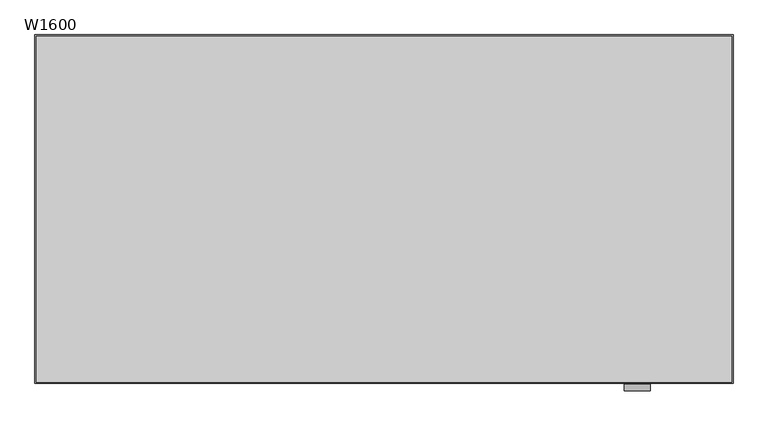
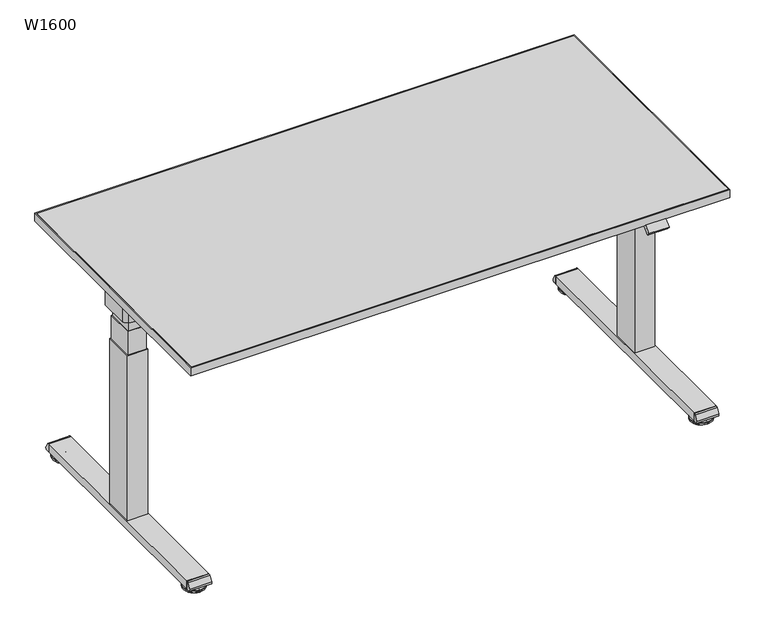
"""IFC4 building model written with IfcOpenShell, lengths in millimetres: furniture geometry, W1600."""

from ifc_helpers import new_model, si_unit, point, frame, frame_2d, origin, place, context, project, spatial, polyline, circle_curve, trimmed, segment, composite_curve, outline, extrude, faceted_brep, source, transform, mapped, element, save
from ifc_brep_helpers import plane_surface, cylinder_surface, revolved_surface, advanced_brep


def w1600_f3774f82(model_context):
    return source(origin(), model_context, "Body", "SolidModel", [
        extrude(outline(polyline([(1509.0, -357.5), (1509.0, -442.5), (91.0, -442.5), (91.0, -357.5), (1509.0, -357.5)])), frame((0.0, 0.0, 667.0), z_axis=(0.0, 0.0, 1.0), x_axis=(1.0, 0.0, 0.0)), (0.0, 0.0, 1.0), 48.0),
        extrude(outline(composite_curve([segment(trimmed(circle_curve(frame_2d((1573.2844551, -429.3948571)), 27.2777716), [point((1596.0, -444.4972027))], [point((1585.2226587, -453.9214981))], False, "CARTESIAN"), True, "CONTINUOUS"), segment(trimmed(circle_curve(frame_2d((1567.407844, -417.3215558)), 40.705324), [point((1585.2226587, -453.9214981))], [point((1567.8222685, -458.02477))], False, "CARTESIAN"), True, "CONTINUOUS"), segment(trimmed(circle_curve(frame_2d((1552.5, 1046.8708411)), 1504.9736119), [point((1567.8222685, -458.02477))], [point((1537.1777315, -458.02477))], False, "CARTESIAN"), True, "CONTINUOUS"), segment(trimmed(circle_curve(frame_2d((1537.592156, -417.3215558)), 40.705324), [point((1537.1777315, -458.02477))], [point((1519.7773413, -453.9214981))], False, "CARTESIAN"), True, "CONTINUOUS"), segment(trimmed(circle_curve(frame_2d((1531.7155449, -429.3948571)), 27.2777716), [point((1519.7773413, -453.9214981))], [point((1509.0, -444.4972027))], False, "CARTESIAN"), True, "CONTINUOUS"), segment(polyline([(1509.0, -444.4972027), (1509.0, -355.5027973)]), True, "CONTINUOUS"), segment(trimmed(circle_curve(frame_2d((1531.7155449, -370.6051429)), 27.2777716), [point((1509.0, -355.5027973))], [point((1519.7773413, -346.0785019))], False, "CARTESIAN"), True, "CONTINUOUS"), segment(trimmed(circle_curve(frame_2d((1537.592156, -382.6784442)), 40.705324), [point((1519.7773413, -346.0785019))], [point((1537.1777315, -341.9752299))], False, "CARTESIAN"), True, "CONTINUOUS"), segment(trimmed(circle_curve(frame_2d((1552.5, -1846.8708411)), 1504.9736119), [point((1537.1777315, -341.9752299))], [point((1567.8222685, -341.9752299))], False, "CARTESIAN"), True, "CONTINUOUS"), segment(trimmed(circle_curve(frame_2d((1567.407844, -382.6784442)), 40.705324), [point((1567.8222685, -341.9752299))], [point((1585.2226587, -346.0785019))], False, "CARTESIAN"), True, "CONTINUOUS"), segment(trimmed(circle_curve(frame_2d((1573.2844551, -370.6051429)), 27.2777716), [point((1585.2226587, -346.0785019))], [point((1596.0, -355.5027973))], False, "CARTESIAN"), True, "CONTINUOUS"), segment(polyline([(1596.0, -355.5027973), (1596.0, -444.4972027)]), True, "CONTINUOUS")], self_intersect=False)), frame((0.0, 0.0, 667.0), z_axis=(0.0, 0.0, 1.0), x_axis=(1.0, 0.0, 0.0)), (0.0, 0.0, 1.0), 48.0),
        extrude(outline(composite_curve([segment(polyline([(-755.0, 13.4998704), (-764.6135226, 13.4998704)]), True, "CONTINUOUS"), segment(trimmed(circle_curve(frame_2d((-764.6135226, 18.4998704)), 5.0), [point((-764.6135226, 13.4998704))], [point((-768.9439076, 20.9994236))], False, "CARTESIAN"), True, "CONTINUOUS"), segment(polyline([(-768.9439076, 20.9994236), (-760.2856529, 35.999535)]), True, "CONTINUOUS"), segment(trimmed(circle_curve(frame_2d((-755.9552679, 33.4999819)), 5.0), [point((-760.2856529, 35.999535))], [point((-755.9552679, 38.4999819))], False, "CARTESIAN"), True, "CONTINUOUS"), segment(polyline([(-755.9552679, 38.4999819), (-755.0, 38.4999819), (-755.0, 13.4998704)]), True, "CONTINUOUS")], self_intersect=False)), frame((1520.0, 0.0, 0.0), z_axis=(1.0, 0.0, 0.0), x_axis=(0.0, 1.0, 0.0)), (0.0, 0.0, 1.0), 65.0),
        extrude(outline(composite_curve([segment(polyline([(-45.0, 13.4998704), (-45.0, 38.4999819), (-44.0447321, 38.4999819)]), True, "CONTINUOUS"), segment(trimmed(circle_curve(frame_2d((-44.0447321, 33.4999819)), 5.0), [point((-44.0447321, 38.4999819))], [point((-39.7143471, 35.999535))], False, "CARTESIAN"), True, "CONTINUOUS"), segment(polyline([(-39.7143471, 35.999535), (-31.0560924, 20.9994236)]), True, "CONTINUOUS"), segment(trimmed(circle_curve(frame_2d((-35.3864774, 18.4998704)), 5.0), [point((-31.0560924, 20.9994236))], [point((-35.3864774, 13.4998704))], False, "CARTESIAN"), True, "CONTINUOUS"), segment(polyline([(-35.3864774, 13.4998704), (-45.0, 13.4998704)]), True, "CONTINUOUS")], self_intersect=False)), frame((1520.0, 0.0, 0.0), z_axis=(1.0, 0.0, 0.0), x_axis=(0.0, 1.0, 0.0)), (0.0, 0.0, 1.0), 65.0),
        advanced_brep(
        [(1552.5, -735.0, 13.4998704), (1552.5, -727.5, 13.4998704), (1552.5, -742.5, 13.4998704), (1552.5, -727.5, 11.4998704), (1552.5, -742.5, 11.4998704), (1552.5, -725.0071288, 9.0069993), (1552.5, -744.9928712, 9.0069993), (1552.5, -703.4111807, 7.0812515), (1552.5, -766.5888193, 7.0812515), (1552.5, -702.5, 6.0852038), (1552.5, -767.5, 6.0852038), (1552.5, -702.5, 1.0), (1552.5, -767.5, 1.0), (1552.5, -703.5, 0.0), (1552.5, -766.5, 0.0), (1552.5, -735.0, 0.0)],
        [
            (0, 1),
            (1, 2, circle_curve(frame((1552.5, -735.0, 13.4998704), z_axis=(0.0, 0.0, 1.0), x_axis=(0.0, 1.0, 0.0)), 7.5)),
            (2, 0),
            (2, 1, circle_curve(frame((1552.5, -735.0, 13.4998704), z_axis=(0.0, 0.0, 1.0), x_axis=(0.0, 1.0, 0.0)), 7.5)),
            (1, 3),
            (3, 4, circle_curve(frame((1552.5, -735.0, 11.4998704), z_axis=(0.0, 0.0, 1.0), x_axis=(0.0, 1.0, 0.0)), 7.5)),
            (4, 2),
            (4, 3, circle_curve(frame((1552.5, -735.0, 11.4998704), z_axis=(0.0, 0.0, 1.0), x_axis=(0.0, 1.0, 0.0)), 7.5)),
            (3, 5),
            (5, 6, circle_curve(frame((1552.5, -735.0, 9.0069993), z_axis=(0.0, 0.0, 1.0), x_axis=(0.0, 1.0, 0.0)), 9.9928712)),
            (6, 4),
            (6, 5, circle_curve(frame((1552.5, -735.0, 9.0069993), z_axis=(0.0, 0.0, 1.0), x_axis=(0.0, 1.0, 0.0)), 9.9928712)),
            (5, 7),
            (7, 8, circle_curve(frame((1552.5, -735.0, 7.0812515), z_axis=(0.0, 0.0, 1.0), x_axis=(0.0, 1.0, 0.0)), 31.5888193)),
            (8, 6),
            (8, 7, circle_curve(frame((1552.5, -735.0, 7.0812515), z_axis=(0.0, 0.0, 1.0), x_axis=(0.0, 1.0, 0.0)), 31.5888193)),
            (7, 9),
            (9, 10, circle_curve(frame((1552.5, -735.0, 6.0852038), z_axis=(0.0, 0.0, 1.0), x_axis=(0.0, 1.0, 0.0)), 32.5)),
            (10, 8),
            (10, 9, circle_curve(frame((1552.5, -735.0, 6.0852038), z_axis=(0.0, 0.0, 1.0), x_axis=(0.0, 1.0, 0.0)), 32.5)),
            (9, 11),
            (11, 12, circle_curve(frame((1552.5, -735.0, 1.0), z_axis=(0.0, 0.0, 1.0), x_axis=(0.0, 1.0, 0.0)), 32.5)),
            (12, 10),
            (12, 11, circle_curve(frame((1552.5, -735.0, 1.0), z_axis=(0.0, 0.0, 1.0), x_axis=(0.0, 1.0, 0.0)), 32.5)),
            (11, 13),
            (13, 14, circle_curve(frame((1552.5, -735.0, 0.0), z_axis=(0.0, 0.0, 1.0), x_axis=(0.0, 1.0, 0.0)), 31.5)),
            (14, 12),
            (14, 13, circle_curve(frame((1552.5, -735.0, 0.0), z_axis=(0.0, 0.0, 1.0), x_axis=(0.0, 1.0, 0.0)), 31.5)),
            (13, 15),
            (15, 14),
        ],
        [
            plane_surface(frame((1552.5, -735.0, 13.4998704), z_axis=(0.0, 0.0, 1.0), x_axis=(0.0, 1.0, 0.0))),
            cylinder_surface(frame((1552.5, -735.0, -1.9309494), z_axis=(0.0, 0.0, 1.0), x_axis=(0.0, 1.0, 0.0)), 7.5),
            revolved_surface(polyline([(1552.5, -725.0071288, 9.0069993), (1552.5, -727.5, 11.4998704)]), (1552.5, -735.0, -1.9309494), (0.0, 0.0, 1.0)),
            revolved_surface(polyline([(1552.5, -703.4111807, 7.0812515), (1552.5, -725.0071288, 9.0069993)]), (1552.5, -735.0, -1.9309494), (0.0, 0.0, 1.0)),
            revolved_surface(polyline([(1552.5, -702.5, 6.0852038), (1552.5, -703.4111807, 7.0812515)]), (1552.5, -735.0, -1.9309494), (0.0, 0.0, 1.0)),
            cylinder_surface(frame((1552.5, -735.0, -1.9309494), z_axis=(0.0, 0.0, 1.0), x_axis=(0.0, 1.0, 0.0)), 32.5),
            revolved_surface(polyline([(1552.5, -703.5, 0.0), (1552.5, -702.5, 1.0)]), (1552.5, -735.0, -1.9309494), (0.0, 0.0, 1.0)),
            plane_surface(frame((1552.5, -735.0, 0.0), z_axis=(0.0, 0.0, -1.0), x_axis=(0.0, 1.0, 0.0))),
        ],
        [
            (0, [[1, 2, 3]]),
            (0, [[-3, 4, -1]]),
            (1, [[-2, 5, 6, 7]]),
            (1, [[-4, -7, 8, -5]]),
            (2, [[-6, 9, 10, 11]]),
            (2, [[-8, -11, 12, -9]]),
            (3, [[-10, 13, 14, 15]]),
            (3, [[-12, -15, 16, -13]]),
            (4, [[-14, 17, 18, 19]]),
            (4, [[-16, -19, 20, -17]]),
            (5, [[-18, 21, 22, 23]]),
            (5, [[-20, -23, 24, -21]]),
            (6, [[-22, 25, 26, 27]]),
            (6, [[-24, -27, 28, -25]]),
            (7, [[-26, 29, 30]]),
            (7, [[-28, -30, -29]]),
        ],
    ),
        advanced_brep(
        [(1552.5, -57.5, 13.4998704), (1552.5, -72.5, 13.4998704), (1552.5, -65.0, 13.4998704), (1552.5, -57.5, 11.4998704), (1552.5, -72.5, 11.4998704), (1552.5, -55.0071288, 9.0069993), (1552.5, -74.9928712, 9.0069993), (1552.5, -33.4111807, 7.0812515), (1552.5, -96.5888193, 7.0812515), (1552.5, -32.5, 6.0852038), (1552.5, -97.5, 6.0852038), (1552.5, -32.5, 1.0), (1552.5, -97.5, 1.0), (1552.5, -33.5, 0.0), (1552.5, -96.5, 0.0), (1552.5, -65.0, 0.0)],
        [
            (0, 1, circle_curve(frame((1552.5, -65.0, 13.4998704), z_axis=(0.0, 0.0, 1.0), x_axis=(0.0, -1.0, 0.0)), 7.5)),
            (1, 2),
            (2, 0),
            (1, 0, circle_curve(frame((1552.5, -65.0, 13.4998704), z_axis=(0.0, 0.0, 1.0), x_axis=(0.0, -1.0, 0.0)), 7.5)),
            (3, 4, circle_curve(frame((1552.5, -65.0, 11.4998704), z_axis=(0.0, 0.0, 1.0), x_axis=(0.0, -1.0, 0.0)), 7.5)),
            (4, 1),
            (0, 3),
            (4, 3, circle_curve(frame((1552.5, -65.0, 11.4998704), z_axis=(0.0, 0.0, 1.0), x_axis=(0.0, -1.0, 0.0)), 7.5)),
            (5, 6, circle_curve(frame((1552.5, -65.0, 9.0069993), z_axis=(0.0, 0.0, 1.0), x_axis=(0.0, -1.0, 0.0)), 9.9928712)),
            (6, 4),
            (3, 5),
            (6, 5, circle_curve(frame((1552.5, -65.0, 9.0069993), z_axis=(0.0, 0.0, 1.0), x_axis=(0.0, -1.0, 0.0)), 9.9928712)),
            (7, 8, circle_curve(frame((1552.5, -65.0, 7.0812515), z_axis=(0.0, 0.0, 1.0), x_axis=(0.0, -1.0, 0.0)), 31.5888193)),
            (8, 6),
            (5, 7),
            (8, 7, circle_curve(frame((1552.5, -65.0, 7.0812515), z_axis=(0.0, 0.0, 1.0), x_axis=(0.0, -1.0, 0.0)), 31.5888193)),
            (9, 10, circle_curve(frame((1552.5, -65.0, 6.0852038), z_axis=(0.0, 0.0, 1.0), x_axis=(0.0, -1.0, 0.0)), 32.5)),
            (10, 8),
            (7, 9),
            (10, 9, circle_curve(frame((1552.5, -65.0, 6.0852038), z_axis=(0.0, 0.0, 1.0), x_axis=(0.0, -1.0, 0.0)), 32.5)),
            (11, 12, circle_curve(frame((1552.5, -65.0, 1.0), z_axis=(0.0, 0.0, 1.0), x_axis=(0.0, -1.0, 0.0)), 32.5)),
            (12, 10),
            (9, 11),
            (12, 11, circle_curve(frame((1552.5, -65.0, 1.0), z_axis=(0.0, 0.0, 1.0), x_axis=(0.0, -1.0, 0.0)), 32.5)),
            (13, 14, circle_curve(frame((1552.5, -65.0, 0.0), z_axis=(0.0, 0.0, 1.0), x_axis=(0.0, -1.0, 0.0)), 31.5)),
            (14, 12),
            (11, 13),
            (14, 13, circle_curve(frame((1552.5, -65.0, 0.0), z_axis=(0.0, 0.0, 1.0), x_axis=(0.0, -1.0, 0.0)), 31.5)),
            (15, 14),
            (13, 15),
        ],
        [
            plane_surface(frame((1552.5, -65.0, 13.4998704), z_axis=(0.0, 0.0, 1.0), x_axis=(0.0, -1.0, 0.0))),
            cylinder_surface(frame((1552.5, -65.0, -1.9309494), z_axis=(0.0, 0.0, -1.0), x_axis=(0.0, -1.0, 0.0)), 7.5),
            revolved_surface(polyline([(1552.5, -72.5, 11.4998704), (1552.5, -74.9928712, 9.0069993)]), (1552.5, -65.0, -1.9309494), (0.0, 0.0, -1.0)),
            revolved_surface(polyline([(1552.5, -74.9928712, 9.0069993), (1552.5, -96.5888193, 7.0812515)]), (1552.5, -65.0, -1.9309494), (0.0, 0.0, -1.0)),
            revolved_surface(polyline([(1552.5, -96.5888193, 7.0812515), (1552.5, -97.5, 6.0852038)]), (1552.5, -65.0, -1.9309494), (0.0, 0.0, -1.0)),
            cylinder_surface(frame((1552.5, -65.0, -1.9309494), z_axis=(0.0, 0.0, -1.0), x_axis=(0.0, -1.0, 0.0)), 32.5),
            revolved_surface(polyline([(1552.5, -97.5, 1.0), (1552.5, -96.5, 0.0)]), (1552.5, -65.0, -1.9309494), (0.0, 0.0, -1.0)),
            plane_surface(frame((1552.5, -65.0, 0.0), z_axis=(0.0, 0.0, -1.0), x_axis=(0.0, -1.0, 0.0))),
        ],
        [
            (0, [[1, 2, 3]]),
            (0, [[4, -3, -2]]),
            (1, [[5, 6, -1, 7]]),
            (1, [[8, -7, -4, -6]]),
            (2, [[9, 10, -5, 11]]),
            (2, [[12, -11, -8, -10]]),
            (3, [[13, 14, -9, 15]]),
            (3, [[16, -15, -12, -14]]),
            (4, [[17, 18, -13, 19]]),
            (4, [[20, -19, -16, -18]]),
            (5, [[21, 22, -17, 23]]),
            (5, [[24, -23, -20, -22]]),
            (6, [[25, 26, -21, 27]]),
            (6, [[28, -27, -24, -26]]),
            (7, [[29, -25, 30]]),
            (7, [[-30, -28, -29]]),
        ],
    ),
        extrude(outline(polyline([(1527.5, -360.0), (1577.5, -360.0), (1577.5, -440.0), (1527.5, -440.0), (1527.5, -360.0)])), frame((0.0, 0.0, 629.7499909), z_axis=(0.0, 0.0, 1.0), x_axis=(1.0, 0.0, 0.0)), (0.0, 0.0, 1.0), 73.2500091),
        extrude(outline(polyline([(1525.0, -357.5), (1580.0, -357.5), (1580.0, -442.5), (1525.0, -442.5), (1525.0, -357.5)])), frame((0.0, 0.0, 556.4999819), z_axis=(0.0, 0.0, 1.0), x_axis=(1.0, 0.0, 0.0)), (0.0, 0.0, 1.0), 73.2500091),
        extrude(outline(polyline([(1522.5, -355.0), (1582.5, -355.0), (1582.5, -445.0), (1522.5, -445.0), (1522.5, -355.0)])), frame((0.0, 0.0, 38.4999819), z_axis=(0.0, 0.0, 1.0), x_axis=(1.0, 0.0, 0.0)), (0.0, 0.0, 1.0), 518.0),
        extrude(outline(polyline([(1585.0, -755.0), (1520.0, -755.0), (1520.0, -45.0), (1585.0, -45.0), (1585.0, -755.0)])), frame((0.0, 0.0, 13.4998704), z_axis=(0.0, 0.0, 1.0), x_axis=(1.0, 0.0, 0.0)), (0.0, 0.0, 1.0), 25.0001114),
        faceted_brep([(72.5, -360.0, 703.0), (22.5, -360.0, 703.0), (22.5, -440.0, 703.0), (72.5, -440.0, 703.0), (72.5, -360.0, 629.7499909), (22.5, -360.0, 629.7499909), (22.5, -440.0, 629.7499909), (72.5, -440.0, 629.7499909), (75.0, -357.5, 629.7499909), (20.0, -357.5, 629.7499909), (20.0, -442.5, 629.7499909), (75.0, -442.5, 629.7499909), (75.0, -357.5, 556.4999819), (75.0, -442.5, 556.4999819), (20.0, -442.5, 556.4999819), (20.0, -357.5, 556.4999819)], [[[0, 1, 2, 3]], [[1, 0, 4, 5]], [[2, 1, 5, 6]], [[3, 2, 6, 7]], [[0, 3, 7, 4]], [[8, 9, 10, 11], [5, 4, 7, 6]], [[12, 13, 14, 15]], [[9, 8, 12, 15]], [[10, 9, 15, 14]], [[11, 10, 14, 13]], [[8, 11, 13, 12]]]),
        extrude(outline(composite_curve([segment(polyline([(4.0, -444.4972027), (4.0, -355.5027973)]), True, "CONTINUOUS"), segment(trimmed(circle_curve(frame_2d((26.7155449, -370.6051429)), 27.2777716), [point((4.0, -355.5027973))], [point((14.7773413, -346.0785019))], False, "CARTESIAN"), True, "CONTINUOUS"), segment(trimmed(circle_curve(frame_2d((32.592156, -382.6784442)), 40.705324), [point((14.7773413, -346.0785019))], [point((32.1777315, -341.97523))], False, "CARTESIAN"), True, "CONTINUOUS"), segment(trimmed(circle_curve(frame_2d((47.5, -1846.8708411)), 1504.9736119), [point((32.1777315, -341.97523))], [point((62.8222685, -341.97523))], False, "CARTESIAN"), True, "CONTINUOUS"), segment(trimmed(circle_curve(frame_2d((62.407844, -382.6784442)), 40.705324), [point((62.8222685, -341.97523))], [point((80.2226587, -346.0785019))], False, "CARTESIAN"), True, "CONTINUOUS"), segment(trimmed(circle_curve(frame_2d((68.2844551, -370.6051429)), 27.2777716), [point((80.2226587, -346.0785019))], [point((91.0, -355.5027973))], False, "CARTESIAN"), True, "CONTINUOUS"), segment(polyline([(91.0, -355.5027973), (91.0, -444.4972027)]), True, "CONTINUOUS"), segment(trimmed(circle_curve(frame_2d((68.2844551, -429.3948571)), 27.2777716), [point((91.0, -444.4972027))], [point((80.2226587, -453.9214981))], False, "CARTESIAN"), True, "CONTINUOUS"), segment(trimmed(circle_curve(frame_2d((62.407844, -417.3215558)), 40.705324), [point((80.2226587, -453.9214981))], [point((62.8222685, -458.02477))], False, "CARTESIAN"), True, "CONTINUOUS"), segment(trimmed(circle_curve(frame_2d((47.5, 1046.8708411)), 1504.9736119), [point((62.8222685, -458.02477))], [point((32.1777315, -458.02477))], False, "CARTESIAN"), True, "CONTINUOUS"), segment(trimmed(circle_curve(frame_2d((32.592156, -417.3215558)), 40.705324), [point((32.1777315, -458.02477))], [point((14.7773413, -453.9214981))], False, "CARTESIAN"), True, "CONTINUOUS"), segment(trimmed(circle_curve(frame_2d((26.7155449, -429.3948571)), 27.2777716), [point((14.7773413, -453.9214981))], [point((4.0, -444.4972027))], False, "CARTESIAN"), True, "CONTINUOUS")], self_intersect=False)), frame((0.0, 0.0, 667.0), z_axis=(0.0, 0.0, 1.0), x_axis=(1.0, 0.0, 0.0)), (0.0, 0.0, 1.0), 48.0),
        extrude(outline(composite_curve([segment(polyline([(-755.0, 13.4998704), (-764.6135226, 13.4998704)]), True, "CONTINUOUS"), segment(trimmed(circle_curve(frame_2d((-764.6135226, 18.4998704)), 5.0), [point((-764.6135226, 13.4998704))], [point((-768.9439076, 20.9994236))], False, "CARTESIAN"), True, "CONTINUOUS"), segment(polyline([(-768.9439076, 20.9994236), (-760.2856529, 35.999535)]), True, "CONTINUOUS"), segment(trimmed(circle_curve(frame_2d((-755.9552679, 33.4999819)), 5.0), [point((-760.2856529, 35.999535))], [point((-755.9552679, 38.4999819))], False, "CARTESIAN"), True, "CONTINUOUS"), segment(polyline([(-755.9552679, 38.4999819), (-755.0, 38.4999819), (-755.0, 13.4998704)]), True, "CONTINUOUS")], self_intersect=False)), frame((15.0, 0.0, 0.0), z_axis=(1.0, 0.0, 0.0), x_axis=(0.0, 1.0, 0.0)), (0.0, 0.0, 1.0), 65.0),
        extrude(outline(composite_curve([segment(polyline([(-45.0, 13.4998704), (-45.0, 38.4999819), (-44.0447321, 38.4999819)]), True, "CONTINUOUS"), segment(trimmed(circle_curve(frame_2d((-44.0447321, 33.4999819)), 5.0), [point((-44.0447321, 38.4999819))], [point((-39.7143471, 35.999535))], False, "CARTESIAN"), True, "CONTINUOUS"), segment(polyline([(-39.7143471, 35.999535), (-31.0560924, 20.9994236)]), True, "CONTINUOUS"), segment(trimmed(circle_curve(frame_2d((-35.3864774, 18.4998704)), 5.0), [point((-31.0560924, 20.9994236))], [point((-35.3864774, 13.4998704))], False, "CARTESIAN"), True, "CONTINUOUS"), segment(polyline([(-35.3864774, 13.4998704), (-45.0, 13.4998704)]), True, "CONTINUOUS")], self_intersect=False)), frame((15.0, 0.0, 0.0), z_axis=(1.0, 0.0, 0.0), x_axis=(0.0, 1.0, 0.0)), (0.0, 0.0, 1.0), 65.0),
        advanced_brep(
        [(47.5, -742.5, 13.4998704), (47.5, -727.5, 13.4998704), (47.5, -735.0, 13.4998704), (47.5, -742.5, 11.4998704), (47.5, -727.5, 11.4998704), (47.5, -744.9928712, 9.0069993), (47.5, -725.0071288, 9.0069993), (47.5, -766.5888193, 7.0812515), (47.5, -703.4111807, 7.0812515), (47.5, -767.5, 6.0852038), (47.5, -702.5, 6.0852038), (47.5, -767.5, 1.0), (47.5, -702.5, 1.0), (47.5, -766.5, 0.0), (47.5, -703.5, 0.0), (47.5, -735.0, 0.0)],
        [
            (0, 1, circle_curve(frame((47.5, -735.0, 13.4998704), z_axis=(0.0, 0.0, 1.0), x_axis=(0.0, 1.0, 0.0)), 7.5)),
            (1, 2),
            (2, 0),
            (1, 0, circle_curve(frame((47.5, -735.0, 13.4998704), z_axis=(0.0, 0.0, 1.0), x_axis=(0.0, 1.0, 0.0)), 7.5)),
            (3, 4, circle_curve(frame((47.5, -735.0, 11.4998704), z_axis=(0.0, 0.0, 1.0), x_axis=(0.0, 1.0, 0.0)), 7.5)),
            (4, 1),
            (0, 3),
            (4, 3, circle_curve(frame((47.5, -735.0, 11.4998704), z_axis=(0.0, 0.0, 1.0), x_axis=(0.0, 1.0, 0.0)), 7.5)),
            (5, 6, circle_curve(frame((47.5, -735.0, 9.0069993), z_axis=(0.0, 0.0, 1.0), x_axis=(0.0, 1.0, 0.0)), 9.9928712)),
            (6, 4),
            (3, 5),
            (6, 5, circle_curve(frame((47.5, -735.0, 9.0069993), z_axis=(0.0, 0.0, 1.0), x_axis=(0.0, 1.0, 0.0)), 9.9928712)),
            (7, 8, circle_curve(frame((47.5, -735.0, 7.0812515), z_axis=(0.0, 0.0, 1.0), x_axis=(0.0, 1.0, 0.0)), 31.5888193)),
            (8, 6),
            (5, 7),
            (8, 7, circle_curve(frame((47.5, -735.0, 7.0812515), z_axis=(0.0, 0.0, 1.0), x_axis=(0.0, 1.0, 0.0)), 31.5888193)),
            (9, 10, circle_curve(frame((47.5, -735.0, 6.0852038), z_axis=(0.0, 0.0, 1.0), x_axis=(0.0, 1.0, 0.0)), 32.5)),
            (10, 8),
            (7, 9),
            (10, 9, circle_curve(frame((47.5, -735.0, 6.0852038), z_axis=(0.0, 0.0, 1.0), x_axis=(0.0, 1.0, 0.0)), 32.5)),
            (11, 12, circle_curve(frame((47.5, -735.0, 1.0), z_axis=(0.0, 0.0, 1.0), x_axis=(0.0, 1.0, 0.0)), 32.5)),
            (12, 10),
            (9, 11),
            (12, 11, circle_curve(frame((47.5, -735.0, 1.0), z_axis=(0.0, 0.0, 1.0), x_axis=(0.0, 1.0, 0.0)), 32.5)),
            (13, 14, circle_curve(frame((47.5, -735.0, 0.0), z_axis=(0.0, 0.0, 1.0), x_axis=(0.0, 1.0, 0.0)), 31.5)),
            (14, 12),
            (11, 13),
            (14, 13, circle_curve(frame((47.5, -735.0, 0.0), z_axis=(0.0, 0.0, 1.0), x_axis=(0.0, 1.0, 0.0)), 31.5)),
            (15, 14),
            (13, 15),
        ],
        [
            plane_surface(frame((47.5, -735.0, 13.4998704), z_axis=(0.0, 0.0, 1.0), x_axis=(0.0, 1.0, 0.0))),
            cylinder_surface(frame((47.5, -735.0, -1.9309494), z_axis=(0.0, 0.0, -1.0), x_axis=(0.0, 1.0, 0.0)), 7.5),
            revolved_surface(polyline([(47.5, -727.5, 11.4998704), (47.5, -725.0071288, 9.0069993)]), (47.5, -735.0, -1.9309494), (0.0, 0.0, -1.0)),
            revolved_surface(polyline([(47.5, -725.0071288, 9.0069993), (47.5, -703.4111807, 7.0812515)]), (47.5, -735.0, -1.9309494), (0.0, 0.0, -1.0)),
            revolved_surface(polyline([(47.5, -703.4111807, 7.0812515), (47.5, -702.5, 6.0852038)]), (47.5, -735.0, -1.9309494), (0.0, 0.0, -1.0)),
            cylinder_surface(frame((47.5, -735.0, -1.9309494), z_axis=(0.0, 0.0, -1.0), x_axis=(0.0, 1.0, 0.0)), 32.5),
            revolved_surface(polyline([(47.5, -702.5, 1.0), (47.5, -703.5, 0.0)]), (47.5, -735.0, -1.9309494), (0.0, 0.0, -1.0)),
            plane_surface(frame((47.5, -735.0, 0.0), z_axis=(0.0, 0.0, -1.0), x_axis=(0.0, 1.0, 0.0))),
        ],
        [
            (0, [[1, 2, 3]]),
            (0, [[4, -3, -2]]),
            (1, [[5, 6, -1, 7]]),
            (1, [[8, -7, -4, -6]]),
            (2, [[9, 10, -5, 11]]),
            (2, [[12, -11, -8, -10]]),
            (3, [[13, 14, -9, 15]]),
            (3, [[16, -15, -12, -14]]),
            (4, [[17, 18, -13, 19]]),
            (4, [[20, -19, -16, -18]]),
            (5, [[21, 22, -17, 23]]),
            (5, [[24, -23, -20, -22]]),
            (6, [[25, 26, -21, 27]]),
            (6, [[28, -27, -24, -26]]),
            (7, [[29, -25, 30]]),
            (7, [[-30, -28, -29]]),
        ],
    ),
        advanced_brep(
        [(47.5, -65.0, 13.4998704), (47.5, -72.5, 13.4998704), (47.5, -57.5, 13.4998704), (47.5, -72.5, 11.4998704), (47.5, -57.5, 11.4998704), (47.5, -74.9928712, 9.0069993), (47.5, -55.0071288, 9.0069993), (47.5, -96.5888193, 7.0812515), (47.5, -33.4111807, 7.0812515), (47.5, -97.5, 6.0852038), (47.5, -32.5, 6.0852038), (47.5, -97.5, 1.0), (47.5, -32.5, 1.0), (47.5, -96.5, 0.0), (47.5, -33.5, 0.0), (47.5, -65.0, 0.0)],
        [
            (0, 1),
            (1, 2, circle_curve(frame((47.5, -65.0, 13.4998704), z_axis=(0.0, 0.0, 1.0), x_axis=(0.0, -1.0, 0.0)), 7.5)),
            (2, 0),
            (2, 1, circle_curve(frame((47.5, -65.0, 13.4998704), z_axis=(0.0, 0.0, 1.0), x_axis=(0.0, -1.0, 0.0)), 7.5)),
            (1, 3),
            (3, 4, circle_curve(frame((47.5, -65.0, 11.4998704), z_axis=(0.0, 0.0, 1.0), x_axis=(0.0, -1.0, 0.0)), 7.5)),
            (4, 2),
            (4, 3, circle_curve(frame((47.5, -65.0, 11.4998704), z_axis=(0.0, 0.0, 1.0), x_axis=(0.0, -1.0, 0.0)), 7.5)),
            (3, 5),
            (5, 6, circle_curve(frame((47.5, -65.0, 9.0069993), z_axis=(0.0, 0.0, 1.0), x_axis=(0.0, -1.0, 0.0)), 9.9928712)),
            (6, 4),
            (6, 5, circle_curve(frame((47.5, -65.0, 9.0069993), z_axis=(0.0, 0.0, 1.0), x_axis=(0.0, -1.0, 0.0)), 9.9928712)),
            (5, 7),
            (7, 8, circle_curve(frame((47.5, -65.0, 7.0812515), z_axis=(0.0, 0.0, 1.0), x_axis=(0.0, -1.0, 0.0)), 31.5888193)),
            (8, 6),
            (8, 7, circle_curve(frame((47.5, -65.0, 7.0812515), z_axis=(0.0, 0.0, 1.0), x_axis=(0.0, -1.0, 0.0)), 31.5888193)),
            (7, 9),
            (9, 10, circle_curve(frame((47.5, -65.0, 6.0852038), z_axis=(0.0, 0.0, 1.0), x_axis=(0.0, -1.0, 0.0)), 32.5)),
            (10, 8),
            (10, 9, circle_curve(frame((47.5, -65.0, 6.0852038), z_axis=(0.0, 0.0, 1.0), x_axis=(0.0, -1.0, 0.0)), 32.5)),
            (9, 11),
            (11, 12, circle_curve(frame((47.5, -65.0, 1.0), z_axis=(0.0, 0.0, 1.0), x_axis=(0.0, -1.0, 0.0)), 32.5)),
            (12, 10),
            (12, 11, circle_curve(frame((47.5, -65.0, 1.0), z_axis=(0.0, 0.0, 1.0), x_axis=(0.0, -1.0, 0.0)), 32.5)),
            (11, 13),
            (13, 14, circle_curve(frame((47.5, -65.0, 0.0), z_axis=(0.0, 0.0, 1.0), x_axis=(0.0, -1.0, 0.0)), 31.5)),
            (14, 12),
            (14, 13, circle_curve(frame((47.5, -65.0, 0.0), z_axis=(0.0, 0.0, 1.0), x_axis=(0.0, -1.0, 0.0)), 31.5)),
            (13, 15),
            (15, 14),
        ],
        [
            plane_surface(frame((47.5, -65.0, 13.4998704), z_axis=(0.0, 0.0, 1.0), x_axis=(0.0, -1.0, 0.0))),
            cylinder_surface(frame((47.5, -65.0, -1.9309494), z_axis=(0.0, 0.0, 1.0), x_axis=(0.0, -1.0, 0.0)), 7.5),
            revolved_surface(polyline([(47.5, -74.9928712, 9.0069993), (47.5, -72.5, 11.4998704)]), (47.5, -65.0, -1.9309494), (0.0, 0.0, 1.0)),
            revolved_surface(polyline([(47.5, -96.5888193, 7.0812515), (47.5, -74.9928712, 9.0069993)]), (47.5, -65.0, -1.9309494), (0.0, 0.0, 1.0)),
            revolved_surface(polyline([(47.5, -97.5, 6.0852038), (47.5, -96.5888193, 7.0812515)]), (47.5, -65.0, -1.9309494), (0.0, 0.0, 1.0)),
            cylinder_surface(frame((47.5, -65.0, -1.9309494), z_axis=(0.0, 0.0, 1.0), x_axis=(0.0, -1.0, 0.0)), 32.5),
            revolved_surface(polyline([(47.5, -96.5, 0.0), (47.5, -97.5, 1.0)]), (47.5, -65.0, -1.9309494), (0.0, 0.0, 1.0)),
            plane_surface(frame((47.5, -65.0, 0.0), z_axis=(0.0, 0.0, -1.0), x_axis=(0.0, -1.0, 0.0))),
        ],
        [
            (0, [[1, 2, 3]]),
            (0, [[-3, 4, -1]]),
            (1, [[-2, 5, 6, 7]]),
            (1, [[-4, -7, 8, -5]]),
            (2, [[-6, 9, 10, 11]]),
            (2, [[-8, -11, 12, -9]]),
            (3, [[-10, 13, 14, 15]]),
            (3, [[-12, -15, 16, -13]]),
            (4, [[-14, 17, 18, 19]]),
            (4, [[-16, -19, 20, -17]]),
            (5, [[-18, 21, 22, 23]]),
            (5, [[-20, -23, 24, -21]]),
            (6, [[-22, 25, 26, 27]]),
            (6, [[-24, -27, 28, -25]]),
            (7, [[-26, 29, 30]]),
            (7, [[-28, -30, -29]]),
        ],
    ),
        extrude(outline(polyline([(77.5, -355.0), (77.5, -445.0), (17.5, -445.0), (17.5, -355.0), (77.5, -355.0)])), frame((0.0, 0.0, 38.4999819), z_axis=(0.0, 0.0, 1.0), x_axis=(1.0, 0.0, 0.0)), (0.0, 0.0, 1.0), 518.0),
        extrude(outline(polyline([(80.0, -755.0), (15.0, -755.0), (15.0, -45.0), (80.0, -45.0), (80.0, -755.0)])), frame((0.0, 0.0, 13.4998704), z_axis=(0.0, 0.0, 1.0), x_axis=(1.0, 0.0, 0.0)), (0.0, 0.0, 1.0), 25.0001114),
        extrude(outline(polyline([(-800.038841, 715.0), (-766.0381088, 715.0), (-766.0381088, 704.2938145), (-794.5891325, 704.2938145), (-808.5703339, 690.3126131), (-810.5785737, 690.3126131), (-816.7019256, 696.435965), (-816.7019256, 698.3369154), (-800.038841, 715.0)])), frame((1350.0, 0.0, 0.0), z_axis=(1.0, 0.0, 0.0), x_axis=(0.0, 1.0, 0.0)), (0.0, 0.0, 1.0), 60.0),
        extrude(outline(polyline([(1597.0, -3.0), (1597.0, -797.0), (3.0, -797.0), (3.0, -3.0), (1597.0, -3.0)])), frame((0.0, 0.0, 715.0), z_axis=(0.0, 0.0, 1.0), x_axis=(1.0, 0.0, 0.0)), (0.0, 0.0, 1.0), 25.0),
        extrude(outline(polyline([(1600.0, 0.0), (1600.0, -800.0), (0.0, -800.0), (0.0, 0.0), (1600.0, 0.0)]), holes=[polyline([(1597.0, -3.0), (3.0, -3.0), (3.0, -797.0), (1597.0, -797.0), (1597.0, -3.0)])]), frame((0.0, 0.0, 715.0), z_axis=(0.0, 0.0, 1.0), x_axis=(1.0, 0.0, 0.0)), (0.0, 0.0, 1.0), 25.0),
    ])


if __name__ == "__main__":
    model = new_model("IFC4")
    model_context = context("Model", 3, world=origin())
    ifc_project = project(units=[si_unit("LENGTHUNIT", "METRE", prefix="MILLI")], contexts=[model_context])
    site = spatial("IfcSite", under=ifc_project)
    building = spatial("IfcBuilding", under=site)
    placement = place(None, origin())
    w1600_shape = w1600_f3774f82(model_context)
    element("IfcFurniture", 1, ObjectType="W1600", at=placement, inside=building, context=model_context, shape_type="MappedRepresentation", body=[
        mapped(w1600_shape, transform((0.0, 0.0, 0.0), x_axis=(1.0, 0.0, 0.0), y_axis=(0.0, 1.0, 0.0), z_axis=(0.0, 0.0, 1.0))),
    ])
    save(model, "model.ifc")
